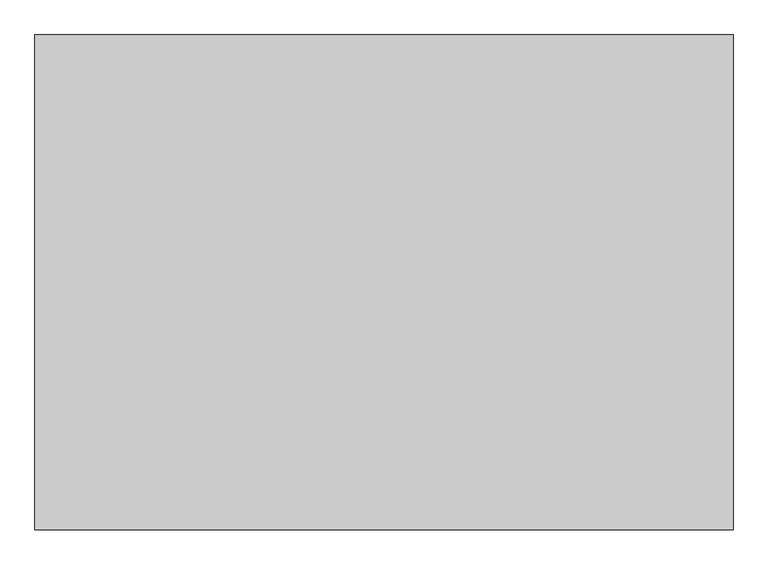
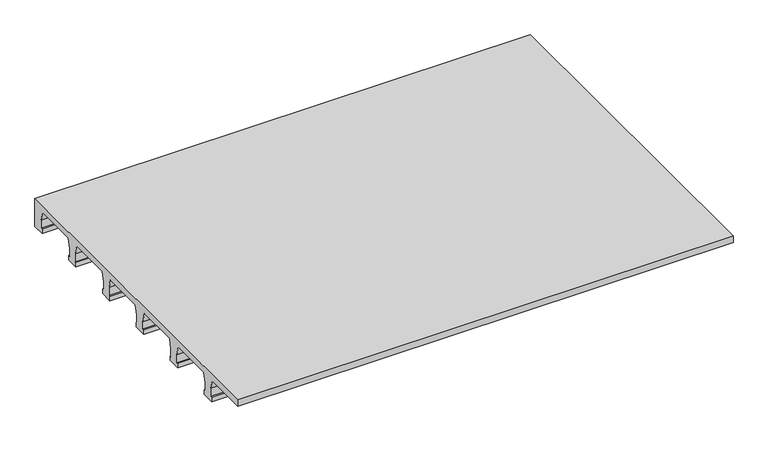
"""IFC4 building model written with IfcOpenShell, lengths in millimetres: proxy geometry."""

from ifc_helpers import new_model, si_unit, frame, origin, place, context, project, spatial, polyline, outline, extrude, source, transform, mapped, element, save


def generic_models_de731948(model_context):
    return source(origin(), model_context, "Body", "SweptSolid", [
        extrude(outline(polyline([(9860.6084022, 3330.0), (9860.6084022, 3384.3135904), (12793.1175305, 3384.3135904), (12793.1175305, 3140.0), (12689.1175305, 3140.0), (12689.1175305, 3180.0), (12701.1175305, 3180.0), (12701.1175305, 3250.0), (12681.1175305, 3330.0), (12671.0326758, 3330.0), (12311.0326758, 3330.0), (12291.0326758, 3250.0), (12291.0326758, 3180.072917), (12304.0326758, 3180.072917), (12304.0326758, 3140.072917), (12199.0326758, 3140.072917), (12199.0326758, 3180.0), (12211.0326758, 3180.0), (12211.0326758, 3250.0), (12191.0326758, 3330.0), (11820.947821, 3330.0), (11800.947821, 3250.0), (11800.947821, 3180.072917), (11813.947821, 3180.072917), (11813.947821, 3140.072917), (11708.947821, 3140.072917), (11708.947821, 3180.0), (11720.947821, 3180.0), (11720.947821, 3250.0), (11700.947821, 3330.0), (11338.8629663, 3330.0), (11318.8629663, 3250.0), (11318.8629663, 3180.072917), (11330.8629663, 3180.072917), (11330.8629663, 3140.072917), (11218.8629663, 3140.072917), (11218.8629663, 3180.0), (11230.8629663, 3180.0), (11230.8629663, 3244.7570946), (11210.8629663, 3330.0), (10846.6876044, 3330.0), (10826.6876044, 3250.0), (10826.6876044, 3179.9310943), (10838.6876044, 3179.9310943), (10838.6876044, 3140.0), (10728.7781116, 3140.0), (10728.7781116, 3180.0), (10740.7781116, 3180.0), (10740.7781116, 3250.0), (10720.7781116, 3330.0), (10350.6932569, 3330.0), (10330.6932569, 3250.0), (10330.6932569, 3180.0), (10342.6932569, 3180.0), (10342.6932569, 3140.0), (10238.6932569, 3140.0), (10238.6932569, 3180.0), (10250.6932569, 3180.0), (10250.6932569, 3250.0), (10230.6932569, 3330.0), (9860.6084022, 3330.0)])), frame((-2384.6857099, 0.0, 0.0), z_axis=(1.0, 0.0, 0.0), x_axis=(0.0, 1.0, 0.0)), (0.0, 0.0, 1.0), 4135.8034953),
    ])


if __name__ == "__main__":
    model = new_model("IFC4")
    model_context = context("Model", 3, world=origin())
    ifc_project = project(units=[si_unit("LENGTHUNIT", "METRE", prefix="MILLI")], contexts=[model_context])
    site = spatial("IfcSite", under=ifc_project)
    building = spatial("IfcBuilding", under=site)
    placement = place(None, origin())
    generic_models_shape = generic_models_de731948(model_context)
    element("IfcBuildingElementProxy", 1, Name="Generic Models", at=placement, inside=building, context=model_context, shape_type="MappedRepresentation", body=[
        mapped(generic_models_shape, transform((0.0, 0.0, 0.0), x_axis=(1.0, 0.0, 0.0), y_axis=(0.0, 1.0, 0.0), z_axis=(0.0, 0.0, 1.0))),
    ])
    save(model, "model.ifc")
